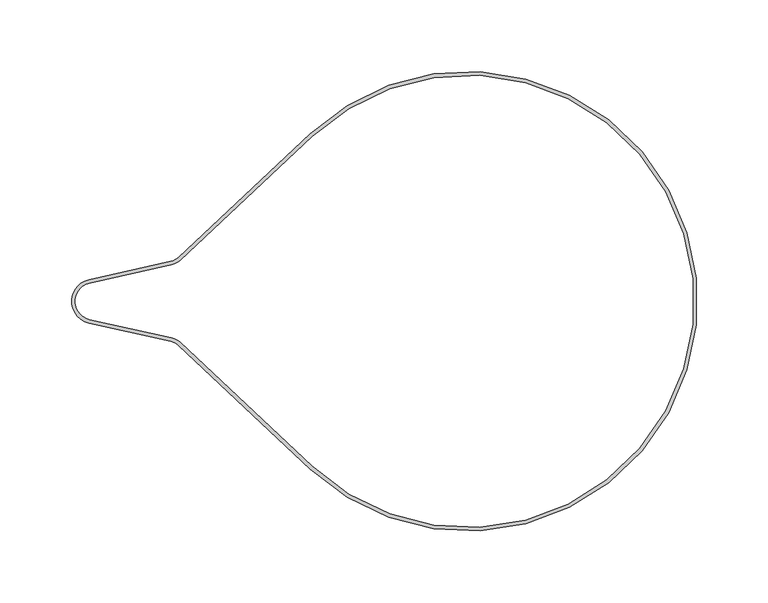
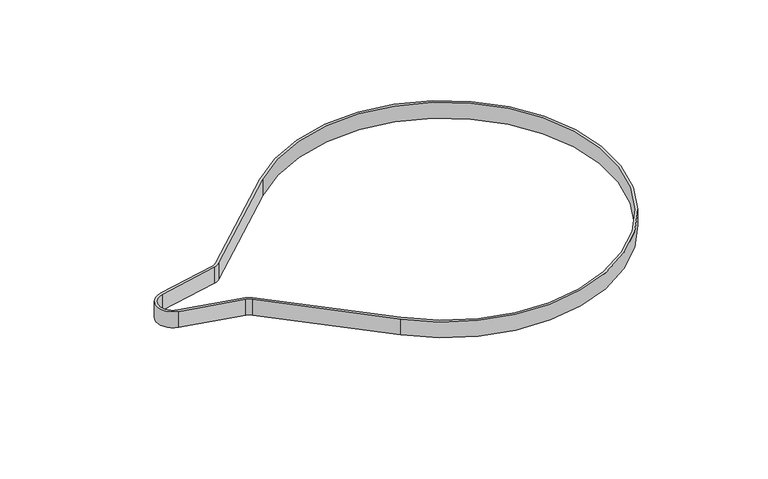
"""IFC4 building model written with IfcOpenShell, lengths in millimetres: proxy geometry."""

from ifc_helpers import new_model, si_unit, point, frame, frame_2d, origin, origin_2d, place, context, project, spatial, polyline, circle_curve, trimmed, segment, composite_curve, outline, extrude, source, transform, mapped, element, save


def generic_models_50764203(model_context):
    return source(origin(), model_context, "Body", "SweptSolid", [
        extrude(outline(composite_curve([segment(polyline([(-206.5544835, -27.7622367), (-263.3642878, -15.1304847)]), True, "CONTINUOUS"), segment(trimmed(circle_curve(frame_2d((-260.0, 0.0)), 15.5), [point((-263.3642878, -15.1304847))], [point((-263.3642878, 15.1304847))], False, "CARTESIAN"), True, "CONTINUOUS"), segment(polyline([(-263.3642878, 15.1304847), (-206.5544835, 27.7622367)]), True, "CONTINUOUS"), segment(trimmed(circle_curve(frame_2d((-208.9420425, 38.5)), 11.0), [point((-206.5544835, 27.7622367))], [point((-201.4181325, 30.4756135))], True, "CARTESIAN"), True, "CONTINUOUS"), segment(polyline([(-201.4181325, 30.4756135), (-109.4386907, 116.7183489)]), True, "CONTINUOUS"), segment(trimmed(circle_curve(origin_2d(), 160.0), [point((-109.4386907, 116.7183489))], [point((-109.4386907, -116.7183489))], False, "CARTESIAN"), True, "CONTINUOUS"), segment(polyline([(-109.4386907, -116.7183489), (-201.4181325, -30.4756135)]), True, "CONTINUOUS"), segment(trimmed(circle_curve(frame_2d((-208.9420425, -38.5)), 11.0), [point((-201.4181325, -30.4756135))], [point((-206.5544835, -27.7622367))], True, "CARTESIAN"), True, "CONTINUOUS")], self_intersect=False), holes=[composite_curve([segment(polyline([(-199.708153, -28.6518893), (-107.7287112, -114.8946247)]), True, "CONTINUOUS"), segment(trimmed(circle_curve(origin_2d(), 157.5), [point((-107.7287112, -114.8946247))], [point((-107.7287112, 114.8946247))], True, "CARTESIAN"), True, "CONTINUOUS"), segment(polyline([(-107.7287112, 114.8946247), (-199.708153, 28.6518893)]), True, "CONTINUOUS"), segment(trimmed(circle_curve(frame_2d((-208.9420425, 38.5)), 13.5), [point((-199.708153, 28.6518893))], [point((-206.0118564, 25.3218359))], False, "CARTESIAN"), True, "CONTINUOUS"), segment(polyline([(-206.0118564, 25.3218359), (-262.8216607, 12.690084)]), True, "CONTINUOUS"), segment(trimmed(circle_curve(frame_2d((-260.0, 0.0)), 13.0), [point((-262.8216607, 12.690084))], [point((-262.8216607, -12.690084))], True, "CARTESIAN"), True, "CONTINUOUS"), segment(polyline([(-262.8216607, -12.690084), (-206.0118564, -25.3218359)]), True, "CONTINUOUS"), segment(trimmed(circle_curve(frame_2d((-208.9420425, -38.5)), 13.5), [point((-206.0118564, -25.3218359))], [point((-199.708153, -28.6518893))], False, "CARTESIAN"), True, "CONTINUOUS")], self_intersect=False)]), frame((0.0, 0.0, -8.0), z_axis=(0.0, 0.0, 1.0), x_axis=(1.0, 0.0, 0.0)), (0.0, 0.0, 1.0), 16.0),
    ])


if __name__ == "__main__":
    model = new_model("IFC4")
    model_context = context("Model", 3, world=origin())
    ifc_project = project(units=[si_unit("LENGTHUNIT", "METRE", prefix="MILLI")], contexts=[model_context])
    site = spatial("IfcSite", under=ifc_project)
    building = spatial("IfcBuilding", under=site)
    placement = place(None, origin())
    generic_models_shape = generic_models_50764203(model_context)
    element("IfcBuildingElementProxy", 1, Name="Generic Models", at=placement, inside=building, context=model_context, shape_type="MappedRepresentation", body=[
        mapped(generic_models_shape, transform((0.0, 0.0, 0.0), x_axis=(1.0, 0.0, 0.0), y_axis=(0.0, 1.0, 0.0), z_axis=(0.0, 0.0, 1.0))),
    ])
    save(model, "model.ifc")
